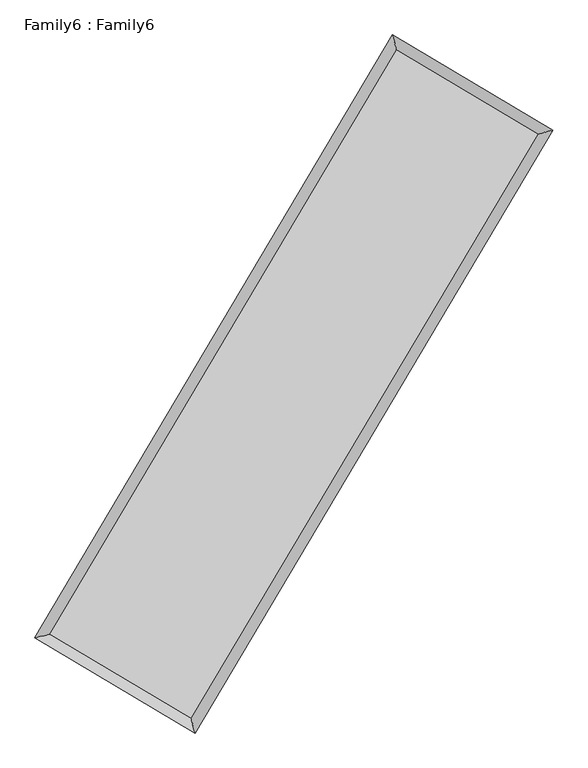
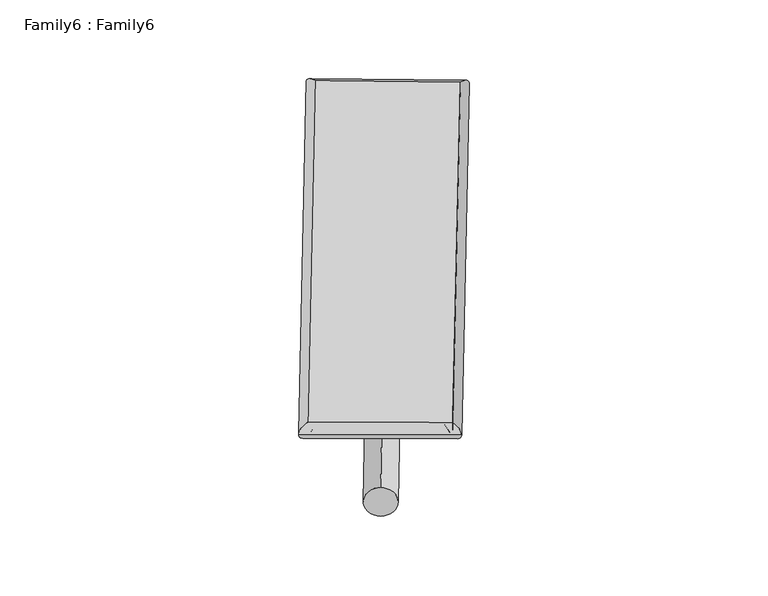
"""IFC4 building model written with IfcOpenShell, lengths in millimetres: plate geometry, Family6 : Family6."""

from ifc_helpers import new_model, si_unit, point, frame, origin, origin_2d, place, context, project, spatial, circle_curve, ellipse_curve, trimmed, segment, composite_curve, outline, extrude, source, transform, mapped, element, save
from ifc_brep_helpers import plane_surface, cylinder_surface, spline_surface, advanced_brep


def family6_family6_a72ec13f(model_context):
    return source(origin(), model_context, "Body", "SolidModel", [
        extrude(outline(composite_curve([segment(trimmed(circle_curve(origin_2d(), 76.2), [point((-75.4341514, -10.7763073))], [point((75.4341514, 10.7763073))], False, "CARTESIAN"), True, "CONTINUOUS"), segment(trimmed(circle_curve(origin_2d(), 76.2), [point((75.4341514, 10.7763073))], [point((-75.4341514, -10.7763073))], False, "CARTESIAN"), True, "CONTINUOUS")], self_intersect=False)), frame((9144.0, 9144.0, 0.0), z_axis=(0.6739340370015836, 0.6867444037394174, 0.27238766070316073), x_axis=(-0.678747919571475, 0.7211366357029333, -0.1387919822052033)), (0.0, 0.0, 1.0), 5566.6305055),
        extrude(outline(composite_curve([segment(trimmed(circle_curve(origin_2d(), 76.2), [point((-53.8815367, 53.8815367))], [point((53.8815367, -53.8815367))], False, "CARTESIAN"), True, "CONTINUOUS"), segment(trimmed(circle_curve(origin_2d(), 76.2), [point((53.8815367, -53.8815367))], [point((-53.8815367, 53.8815367))], False, "CARTESIAN"), True, "CONTINUOUS")], self_intersect=False)), frame((9144.0, 9144.0, 0.0), z_axis=(-0.6735427946355409, -0.6871283188517467, 0.27238718256650385), x_axis=(0.6409115467910046, -0.3593495294175025, 0.6783069400333316)), (0.0, 0.0, 1.0), 5566.5462853),
        extrude(outline(composite_curve([segment(trimmed(circle_curve(origin_2d(), 76.2), [point((-53.8815367, -53.8815368))], [point((53.8815367, 53.8815368))], False, "CARTESIAN"), True, "CONTINUOUS"), segment(trimmed(circle_curve(origin_2d(), 76.2), [point((53.8815367, 53.8815368))], [point((-53.8815367, -53.8815368))], False, "CARTESIAN"), True, "CONTINUOUS")], self_intersect=False)), frame((9144.0, 9144.0, 0.0), z_axis=(0.28068852986534154, 0.9197527269571434, 0.27435172763613447), x_axis=(-0.8387643434899053, 0.37401007832347744, -0.3957156016666699)), (0.0, 0.0, 1.0), 5571.070947),
        extrude(outline(composite_curve([segment(trimmed(circle_curve(origin_2d(), 76.2), [point((-75.4341514, 10.7763073))], [point((75.4341514, -10.7763073))], False, "CARTESIAN"), True, "CONTINUOUS"), segment(trimmed(circle_curve(origin_2d(), 76.2), [point((75.4341514, -10.7763073))], [point((-75.4341514, 10.7763073))], False, "CARTESIAN"), True, "CONTINUOUS")], self_intersect=False)), frame((9144.0, 9144.0, 0.0), z_axis=(-0.28115933193555775, -0.9195878387609111, 0.27442236947557275), x_axis=(0.876361224930016, -0.1295009316512532, 0.4639186481923524)), (0.0, 0.0, 1.0), 5569.5373046),
        advanced_brep(
        [(5185.8672907, 5265.852295, 1517.2258311), (5603.5234279, 5372.2916039, 1517.4874311), (5603.5184264, 5372.2845233, 1515.2858874), (10760.9161653, 14059.0654317, 1527.1062408), (10654.5552625, 14476.9499594, 1529.7596374), (5185.8622892, 5265.8452145, 1515.0242874), (12686.6787904, 12913.7553467, 1516.4102005), (13104.4047478, 13019.949348, 1516.1527223), (7524.9181006, 4231.1419147, 1528.1793381), (7631.2271239, 3813.5005396, 1528.6319099)],
        [
            (0, 1, ellipse_curve(frame((5394.6928586, 5319.0684092, 1516.2558593), z_axis=(-0.24695333665834668, 0.9690240031919394, -0.002555533442818951), x_axis=(-0.9690159193317996, -0.24696238118162397, -0.004210743716901023)), 215.5099463, 152.4)),
            (1, 2, ellipse_curve(frame((5394.6928586, 5319.0684092, 1516.2558593), z_axis=(-0.24695333665834668, 0.9690240031919394, -0.002555533442818951), x_axis=(-0.9690159193317996, -0.24696238118162397, -0.004210743716901023)), 215.5099463, 152.4)),
            (2, 3),
            (3, 4, ellipse_curve(frame((10707.7357139, 14268.0076956, 1528.4329391), z_axis=(-0.9690955358263623, -0.24667254490826088, 0.0025491233586957132), x_axis=(0.24666079077165418, -0.969092773568391, -0.00420125141184739)), 215.6083662, 152.4)),
            (4, 0),
            (2, 5, ellipse_curve(frame((5394.6928586, 5319.0684092, 1516.2558593), z_axis=(-0.24695333665834668, 0.9690240031919394, -0.002555533442818951), x_axis=(-0.9690159193317996, -0.24696238118162397, -0.004210743716901023)), 215.5099463, 152.4)),
            (5, 0, ellipse_curve(frame((5394.6928586, 5319.0684092, 1516.2558593), z_axis=(-0.24695333665834668, 0.9690240031919394, -0.002555533442818951), x_axis=(-0.9690159193317996, -0.24696238118162397, -0.004210743716901023)), 215.5099463, 152.4)),
            (4, 3, ellipse_curve(frame((10707.7357139, 14268.0076956, 1528.4329391), z_axis=(-0.9690955358263623, -0.24667254490826088, 0.0025491233586957132), x_axis=(0.24666079077165418, -0.969092773568391, -0.00420125141184739)), 215.6083662, 152.4)),
            (3, 6),
            (6, 7, ellipse_curve(frame((12895.5417691, 12966.8523474, 1516.2814614), z_axis=(-0.24638012668723805, 0.9691699146603778, 0.0025514095665892947), x_axis=(-0.9691618820161917, -0.2463891407497075, 0.004199734212313748)), 215.5078987, 152.4)),
            (7, 4),
            (7, 6, ellipse_curve(frame((12895.5417691, 12966.8523474, 1516.2814614), z_axis=(-0.24638012668723805, 0.9691699146603778, 0.0025514095665892947), x_axis=(-0.9691618820161917, -0.2463891407497075, 0.004199734212313748)), 215.5078987, 152.4)),
            (6, 8),
            (8, 9, ellipse_curve(frame((7578.0726123, 4022.3212272, 1528.405624), z_axis=(0.9690931670914231, 0.246681751951, 0.0025586619745822255), x_axis=(-0.24666994179892568, 0.9690904157587544, -0.004207837620380957)), 215.4808471, 152.4)),
            (9, 7),
            (9, 8, ellipse_curve(frame((7578.0726123, 4022.3212272, 1528.405624), z_axis=(0.9690931670914231, 0.246681751951, 0.0025586619745822255), x_axis=(-0.24666994179892568, 0.9690904157587544, -0.004207837620380957)), 215.4808471, 152.4)),
            (8, 1),
            (5, 9),
        ],
        [
            cylinder_surface(frame((5394.6928586, 5319.0684092, 1516.2558593), z_axis=(-0.510510709206591, -0.8598705988500134, -0.0011700507267710801), x_axis=(-0.8598512811258964, 0.5104889878320413, 0.007534430859258374)), 152.4),
            cylinder_surface(frame((10707.7357139, 14268.0076956, 1528.4329391), z_axis=(-0.8594747161068087, 0.5111559687066416, 0.00477368083302388), x_axis=(0.5111739659456855, 0.8594682930975857, 0.003928065590336181)), 152.4),
            cylinder_surface(frame((12895.5417691, 12966.8523474, 1516.2814614), z_axis=(0.5110110957038524, 0.8595733258557051, -0.001165137292362995), x_axis=(0.859574055886025, -0.5110110957038524, 0.0003201799445804861)), 152.4),
            cylinder_surface(frame((7578.0726123, 4022.3212272, 1528.405624), z_axis=(0.8597817210856992, -0.5106393068259413, 0.00478439246251012), x_axis=(-0.5106288101872042, -0.8597949433350253, -0.0032975175998233297)), 152.4),
        ],
        [
            (0, [[1, 2, 3, 4, 5]]),
            (0, [[6, 7, -5, 8, -3]]),
            (1, [[-4, 9, 10, 11]]),
            (1, [[-8, -11, 12, -9]]),
            (2, [[-10, 13, 14, 15]]),
            (2, [[-12, -15, 16, -13]]),
            (3, [[-14, 17, -1, -7, 18]]),
            (3, [[-16, -18, -6, -2, -17]]),
        ],
    ),
        extrude(outline(composite_curve([segment(trimmed(circle_curve(origin_2d(), 304.8), [point((0.0, 304.8))], [point((-1e-07, -304.8))], False, "CARTESIAN"), True, "CONTINUOUS"), segment(trimmed(circle_curve(origin_2d(), 304.8), [point((-1e-07, -304.8))], [point((0.0, 304.8))], False, "CARTESIAN"), True, "CONTINUOUS")], self_intersect=False)), frame((11806.4544713, 13639.7188388, -0.0001221), z_axis=(-0.5095650815463659, -0.860432116827728, 2.337592535831796e-08), x_axis=(-0.8604321168277282, 0.5095650815463659, -6.402574543673091e-09)), (0.0, 0.0, 1.0), 10449.9094139),
        advanced_brep(
        [(5394.6928586, 5319.0684092, 1516.2558593), (7578.0726123, 4022.3212272, 1528.405624), (7578.0731976, 4022.3204135, 1680.805624), (5394.6934439, 5319.0675955, 1668.6558593), (12895.5417691, 12966.8523474, 1516.2814614), (12895.5423545, 12966.8515337, 1668.6814614), (10707.7357139, 14268.0076956, 1528.4329391), (10707.7362993, 14268.0068819, 1680.8329391)],
        [
            (0, 1),
            (1, 2),
            (2, 3),
            (3, 0),
            (1, 4),
            (4, 5),
            (5, 2),
            (4, 6),
            (6, 7),
            (7, 5),
            (6, 0),
            (3, 7),
        ],
        [
            plane_surface(frame((6486.3827354, 4670.6948182, 1522.3307416), z_axis=(-0.5106451404814999, -0.8597915680533961, -2.6290366143696085e-06), x_axis=(0.8597817210856991, -0.5106393068259415, 0.004784392462510123))),
            plane_surface(frame((10236.8071907, 8494.5867873, 1522.3435427), z_axis=(0.859573905705145, -0.5110114485942975, -6.029946831223945e-06), x_axis=(0.5110110957038525, 0.8595733258557051, -0.001165137292362991))),
            plane_surface(frame((11801.6387415, 13617.4300215, 1522.3572002), z_axis=(0.5111618036948041, 0.8594845027320633, 2.6254126728091423e-06), x_axis=(-0.8594747161068087, 0.5111559687066416, 0.004773680833023884))),
            plane_surface(frame((8051.2142862, 9793.5380524, 1522.3443992), z_axis=(-0.859871191025379, 0.5105110525818759, 6.028417091332762e-06), x_axis=(-0.5105107092065907, -0.8598705988500135, -0.0011700507267710788))),
            spline_surface(1, 1, [[(7578.0731976, 4022.3204135, 1680.805624), (5394.6934439, 5319.0675955, 1668.6558593)], [(12895.5423545, 12966.8515337, 1668.6814614), (10707.7362993, 14268.0068819, 1680.8329391)]], [2, 2], [2, 2], [0.0, 1.0], [0.0, 1.0]),
            spline_surface(1, 1, [[(10707.7357139, 14268.0076956, 1528.4329391), (5394.6928586, 5319.0684092, 1516.2558593)], [(12895.5417691, 12966.8523474, 1516.2814614), (7578.0726123, 4022.3212272, 1528.405624)]], [2, 2], [2, 2], [0.0, 1.0], [0.0, 1.0]),
        ],
        [
            (0, [[1, 2, 3, 4]]),
            (1, [[5, 6, 7, -2]]),
            (2, [[8, 9, 10, -6]]),
            (3, [[11, -4, 12, -9]]),
            (4, [[-3, -7, -10, -12]]),
            (5, [[-11, -8, -5, -1]]),
        ],
    ),
    ])


if __name__ == "__main__":
    model = new_model("IFC4")
    model_context = context("Model", 3, world=origin())
    ifc_project = project(units=[si_unit("LENGTHUNIT", "METRE", prefix="MILLI")], contexts=[model_context])
    site = spatial("IfcSite", under=ifc_project)
    building = spatial("IfcBuilding", under=site)
    placement = place(None, origin())
    family6_family6_shape = family6_family6_a72ec13f(model_context)
    element("IfcPlate", 1, ObjectType="Family6 : Family6", at=placement, inside=building, context=model_context, shape_type="MappedRepresentation", body=[
        mapped(family6_family6_shape, transform((0.0, 0.0, 0.0), x_axis=(1.0, 0.0, 0.0), y_axis=(0.0, 1.0, 0.0), z_axis=(0.0, 0.0, 1.0))),
    ])
    save(model, "model.ifc")
